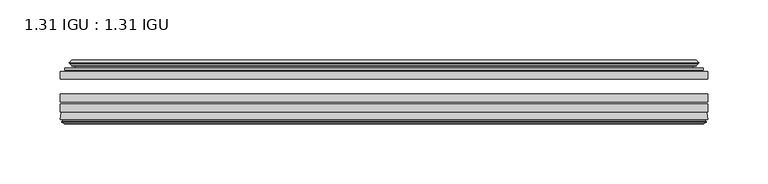
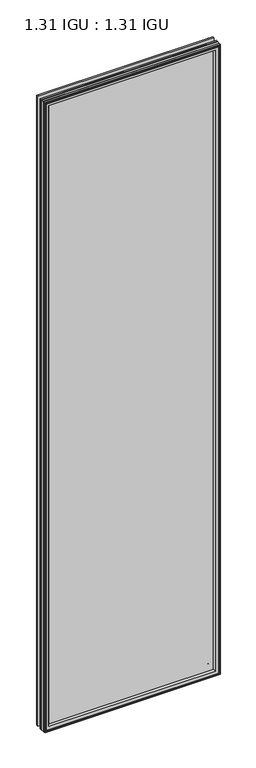
"""IFC4 building model written with IfcOpenShell, lengths in millimetres: plate geometry, 1.31 IGU : 1.31 IGU."""

import ifcopenshell
import ifcopenshell.guid

model = None  # the IFC model being written
_history = None  # IfcOwnerHistory: only IFC2X3 demands one
_inside = {}  # id of a spatial element -> (the spatial element, [elements in it])
_under = {}  # id of a project, library or spatial element -> (it, [spatial elements below it])
_declared = {}  # id of a project -> (the project, [libraries it declares])
_typed = {}  # id of a type object -> (the type object, [elements of that type])
_made_of = {}  # id of a material, layer set ... -> (it, [elements and type objects made of it])


def new_model(schema):
    """Start an empty IFC model of exactly this schema.

    Asked for "IFC4X3", IfcOpenShell would pick the latest addendum, in which some entities
    have other attributes; the version numbers below select the first issue.
    IFC2X3 requires an IfcOwnerHistory on every rooted entity: one is made here for all.
    """
    global model, _history
    if schema == "IFC4X3":
        model = ifcopenshell.file(schema_version=(4, 3, 0, 0))
    else:
        model = ifcopenshell.file(schema=schema)
    _inside.clear()
    _under.clear()
    _declared.clear()
    _typed.clear()
    _made_of.clear()
    _history = None
    if model.schema == "IFC2X3":
        org = make("IfcOrganization", Name="unknown")
        user = make(
            "IfcPersonAndOrganization",
            ThePerson=make("IfcPerson", FamilyName="unknown"),
            TheOrganization=org,
        )
        app = make(
            "IfcApplication",
            ApplicationDeveloper=org,
            Version="unknown",
            ApplicationFullName="unknown",
            ApplicationIdentifier="unknown",
        )
        _history = make(
            "IfcOwnerHistory",
            OwningUser=user,
            OwningApplication=app,
            ChangeAction="ADDED",
            CreationDate=0,
        )
    return model


def make(cls, **values):
    """One entity of the class cls with the attributes given. An attribute that is None is left unset."""
    return model.create_entity(
        cls, **{name: value for name, value in values.items() if value is not None}
    )


def rooted(cls, **values):
    """An entity with a GlobalId (a new one), such as an element, a storey or a relation."""
    return make(cls, GlobalId=ifcopenshell.guid.new(), OwnerHistory=_history, **values)


def si_unit(unit_type, name, prefix=None):
    """IfcSIUnit, for example si_unit("LENGTHUNIT", "METRE", prefix="MILLI")."""
    return make("IfcSIUnit", UnitType=unit_type, Prefix=prefix, Name=name)


def assignment(units):
    """IfcUnitAssignment: the units of a project."""
    return None if units is None else make("IfcUnitAssignment", Units=units)


def point(xyz):
    """IfcCartesianPoint."""
    return None if xyz is None else make("IfcCartesianPoint", Coordinates=xyz)


def direction(xyz):
    """IfcDirection."""
    return None if xyz is None else make("IfcDirection", DirectionRatios=xyz)


def frame(location, z_axis=None, x_axis=None):
    """IfcAxis2Placement3D, a coordinate frame: its origin and axes. An axis left out is left unset."""
    return make(
        "IfcAxis2Placement3D",
        Location=point(location),
        Axis=direction(z_axis),
        RefDirection=direction(x_axis),
    )


def origin():
    """The frame at (0, 0, 0) with its axes left unset."""
    return frame((0.0, 0.0, 0.0))


def place(relative_to, where):
    """IfcLocalPlacement: puts the frame where relative to a parent placement (None: the world)."""
    return make(
        "IfcLocalPlacement", PlacementRelTo=relative_to, RelativePlacement=where
    )


def context(
    kind, dimensions, precision=None, world=None, true_north=None, identifier=None
):
    """IfcGeometricRepresentationContext, for example the 3D "Model" context."""
    return make(
        "IfcGeometricRepresentationContext",
        ContextIdentifier=identifier,
        ContextType=kind,
        CoordinateSpaceDimension=dimensions,
        Precision=precision,
        WorldCoordinateSystem=world,
        TrueNorth=true_north,
    )


def project(units=None, contexts=None):
    """IfcProject with its units and contexts."""
    return rooted(
        "IfcProject",
        Name="project",
        RepresentationContexts=contexts,
        UnitsInContext=assignment(units),
    )


def spatial(cls, under=None, at=None, **own):
    """A site, building, storey or space (cls), placed at a placement, below another one or the project."""
    s = rooted(cls, ObjectPlacement=at, **own)
    if under is not None:
        _under.setdefault(under.id(), (under, []))[1].append(s)
    return s


def polyline(points):
    """IfcPolyline through the points."""
    return make("IfcPolyline", Points=[point(p) for p in points])


def ellipse_curve(where, semi_axis1, semi_axis2):
    """IfcEllipse in the frame where."""
    return make(
        "IfcEllipse", Position=where, SemiAxis1=semi_axis1, SemiAxis2=semi_axis2
    )


def outline(outer, holes=None, kind="AREA"):
    """IfcArbitraryClosedProfileDef: a profile drawn as a closed curve; with holes, ...WithVoids."""
    if holes is None:
        return make("IfcArbitraryClosedProfileDef", ProfileType=kind, OuterCurve=outer)
    return make(
        "IfcArbitraryProfileDefWithVoids",
        ProfileType=kind,
        OuterCurve=outer,
        InnerCurves=holes,
    )


def extrude(swept, where, along, depth):
    """IfcExtrudedAreaSolid: the profile swept, set in the frame where, extruded along a direction by depth."""
    return make(
        "IfcExtrudedAreaSolid",
        SweptArea=swept,
        Position=where,
        ExtrudedDirection=direction(along),
        Depth=depth,
    )


def shape(context_of_items, identifier, shape_type, items):
    """IfcShapeRepresentation: the items that make up one representation, for example the "Body"."""
    return make(
        "IfcShapeRepresentation",
        ContextOfItems=context_of_items,
        RepresentationIdentifier=identifier,
        RepresentationType=shape_type,
        Items=items,
    )


def source(mapping_origin, context_of_items, identifier, shape_type, items):
    """IfcRepresentationMap: a shape defined once, which mapped items show again and again."""
    return make(
        "IfcRepresentationMap",
        MappingOrigin=mapping_origin,
        MappedRepresentation=shape(context_of_items, identifier, shape_type, items),
    )


def transform(
    local_origin,
    x_axis=None,
    y_axis=None,
    z_axis=None,
    scale=None,
    scale2=None,
    scale3=None,
    uniform=True,
):
    """IfcCartesianTransformationOperator3D, or its non-uniform kind. x_axis, y_axis, z_axis: its Axis1, 2, 3."""
    if uniform:
        return make(
            "IfcCartesianTransformationOperator3D",
            Axis1=direction(x_axis),
            Axis2=direction(y_axis),
            LocalOrigin=point(local_origin),
            Scale=scale,
            Axis3=direction(z_axis),
        )
    return make(
        "IfcCartesianTransformationOperator3DnonUniform",
        Axis1=direction(x_axis),
        Axis2=direction(y_axis),
        LocalOrigin=point(local_origin),
        Scale=scale,
        Axis3=direction(z_axis),
        Scale2=scale2,
        Scale3=scale3,
    )


def mapped(mapping_source, mapping_target):
    """IfcMappedItem: shows the shape of a source again, moved by a transform."""
    return make(
        "IfcMappedItem", MappingSource=mapping_source, MappingTarget=mapping_target
    )


def made_of(thing, what):
    """Note that an element or type object is made of a material, layer set ...; save() writes the relation."""
    if what is not None:
        _made_of.setdefault(what.id(), (what, []))[1].append(thing)
    return thing


def element(
    cls,
    number,
    at=None,
    inside=None,
    cuts=None,
    type_object=None,
    material=None,
    context=None,
    identifier="Body",
    shape_type=None,
    held_by="IfcProductDefinitionShape",
    body=None,
    shapes=None,
    **own,
):
    """One element of the class cls, such as IfcWall. Its Tag is "e" and its number.

    at: its placement. inside: the storey or other place that contains it. cuts: it is an
    opening in that element (IfcRelVoidsElement). A single representation is given by context,
    identifier, shape_type and body (its items); several are given by shapes. held_by: the class
    of the entity that holds the representations. save() writes the other relations.
    """
    e = rooted(cls, Tag="e%d" % number, ObjectPlacement=at, **own)
    if body is not None:
        shapes = [shape(context, identifier, shape_type, body)]
    if shapes is not None:
        e.Representation = make(held_by, Representations=shapes)
    if inside is not None:
        _inside.setdefault(inside.id(), (inside, []))[1].append(e)
    if cuts is not None:
        rooted(
            "IfcRelVoidsElement", RelatingBuildingElement=cuts, RelatedOpeningElement=e
        )
    if type_object is not None:
        _typed.setdefault(type_object.id(), (type_object, []))[1].append(e)
    return made_of(e, material)


def aggregate(whole, parts):
    """IfcRelAggregates: a whole, such as a stair, and the parts it consists of."""
    return rooted("IfcRelAggregates", RelatingObject=whole, RelatedObjects=parts)


def save(model, path):
    """Write the relations noted so far, then the file.

    IfcRelAggregates (storeys below a building ...), IfcRelContainedInSpatialStructure (elements
    in a storey), IfcRelDefinesByType, IfcRelAssociatesMaterial and IfcRelDeclares: one each for
    every whole, place, type object, material and project.
    """
    for whole, parts in _under.values():
        aggregate(whole, parts)
    for where, things in _inside.values():
        rooted(
            "IfcRelContainedInSpatialStructure",
            RelatedElements=things,
            RelatingStructure=where,
        )
    for kind, things in _typed.values():
        rooted("IfcRelDefinesByType", RelatedObjects=things, RelatingType=kind)
    for what, things in _made_of.values():
        rooted("IfcRelAssociatesMaterial", RelatedObjects=things, RelatingMaterial=what)
    for by, libraries in _declared.values():
        rooted("IfcRelDeclares", RelatingContext=by, RelatedDefinitions=libraries)
    model.write(path)


def plane_surface(at):
    """IfcPlane: the flat surface through the origin of the frame at, square to its z axis."""
    return make("IfcPlane", Position=at)


def cylinder_surface(at, radius):
    """IfcCylindricalSurface: all points at the distance radius from the z axis of the frame at."""
    return make("IfcCylindricalSurface", Position=at, Radius=radius)


def revolved_surface(curve, axis_point, axis_direction):
    """IfcSurfaceOfRevolution: the curve turned about the line through axis_point along axis_direction."""
    return make(
        "IfcSurfaceOfRevolution",
        SweptCurve=make("IfcArbitraryOpenProfileDef", ProfileType="CURVE", Curve=curve),
        AxisPosition=make("IfcAxis1Placement", Location=point(axis_point), Axis=direction(axis_direction)),
    )


def advanced_brep(points, edges, surfaces, faces):
    """IfcAdvancedBrep: a solid bounded by faces that lie on surfaces and meet in shared edges.

    An edge is (start, end): straight between two places in points (the first is 0);
    or (start, end, curve); or (start, end, curve, False) where it runs against its curve.
    A face is (place in surfaces, loops), or (place, loops, False) where it looks against
    its surface's normal. A loop lists edges by number (the first is 1), with a minus sign
    where the edge is run from its end to its start. The first loop is the outer one.
    """
    corners = [point(p) for p in points]
    vertices = [make("IfcVertexPoint", VertexGeometry=c) for c in corners]
    made = []
    for start, end, *more in edges:
        made.append(
            make(
                "IfcEdgeCurve",
                EdgeStart=vertices[start],
                EdgeEnd=vertices[end],
                EdgeGeometry=more[0] if more else make("IfcPolyline", Points=[corners[start], corners[end]]),
                SameSense=more[1] if len(more) > 1 else True,
            )
        )
    hull = []
    for where, loops, *sense in faces:
        bounds = []
        for j, loop in enumerate(loops):
            ring = [make("IfcOrientedEdge", EdgeElement=made[abs(k) - 1], Orientation=k > 0) for k in loop]
            bounds.append(
                make(
                    "IfcFaceOuterBound" if j == 0 else "IfcFaceBound",
                    Bound=make("IfcEdgeLoop", EdgeList=ring),
                    Orientation=True,
                )
            )
        hull.append(make("IfcAdvancedFace", Bounds=bounds, FaceSurface=surfaces[where], SameSense=sense[0] if sense else True))
    return make("IfcAdvancedBrep", Outer=make("IfcClosedShell", CfsFaces=hull))


def plate_1_31_igu_1_31_igu_923db187(model_context):
    return source(origin(), model_context, "Body", "SolidModel", [
        extrude(outline(polyline([(268.2205532, -51.7723437), (268.2205532, -58.1223438), (-268.2875, -58.1223438), (-268.2875, -51.7723437), (268.2205532, -51.7723437)])), frame((0.0, 0.0, -14.2875), z_axis=(0.0, 0.0, 1.0), x_axis=(1.0, 0.0, 0.0)), (0.0, 0.0, 1.0), 2025.65),
        extrude(outline(polyline([(-268.2875, -85.4273438), (-268.2875, -79.0773437), (268.2205532, -79.0773437), (268.2205532, -85.4273438), (-268.2875, -85.4273438)])), frame((0.0, 0.0, -14.2875), z_axis=(0.0, 0.0, 1.0), x_axis=(1.0, 0.0, 0.0)), (0.0, 0.0, 1.0), 2025.65),
        extrude(outline(polyline([(-268.2875, -77.1723438), (-268.2875, -70.8223438), (268.2205532, -70.8223438), (268.2205532, -77.1723438), (-268.2875, -77.1723438)])), frame((0.0, 0.0, -14.2875), z_axis=(0.0, 0.0, 1.0), x_axis=(1.0, 0.0, 0.0)), (0.0, 0.0, 1.0), 2025.65),
        advanced_brep(
        [(-268.3002, -91.7773437, 2011.3752), (-267.6054162, -86.1187838, 2010.6804162), (-267.6054162, -86.1187838, -13.6054162), (-268.3002, -91.7773437, -14.3002), (-265.9126, -93.768408, 2008.9876), (-266.3698, -91.7773437, 2009.4448), (-266.3698, -91.7773437, -12.3698), (-265.9126, -93.768408, -11.9126), (-266.9139619, -93.5000939, 2009.9889619), (-266.9139619, -93.5000939, -12.9139619), (-267.1572, -94.407871, 2010.2322), (-267.1572, -94.407871, -13.1572), (-265.1252, -94.9523437, 2008.2002), (-265.1252, -94.9523437, -11.1252), (-263.0932, -94.407871, 2006.1682), (-263.0932, -94.407871, -9.0932), (-263.3364381, -93.5000939, 2006.4114381), (-263.3364381, -93.5000939, -9.3364381), (-264.3378, -93.768408, 2007.4128), (-264.3378, -93.768408, -10.3378), (-263.8806, -91.7773437, 2006.9556), (-263.8806, -91.7773437, -9.8806), (-249.8109786, -85.4273437, 1992.8859786), (-254.0, -91.7773437, 1997.075), (-254.0, -91.7773437, 0.0), (-249.8109786, -85.4273437, 4.1890214), (-266.8238854, -85.4273437, 2009.8988854), (-266.8238854, -85.4273437, -12.8238854), (267.6054162, -86.1187838, -13.6054162), (268.3002, -91.7773437, -14.3002), (266.3698, -91.7773437, -12.3698), (265.9126, -93.768408, -11.9126), (266.9139619, -93.5000939, -12.9139619), (267.1572, -94.407871, -13.1572), (265.1252, -94.9523437, -11.1252), (263.0932, -94.407871, -9.0932), (263.3364381, -93.5000939, -9.3364381), (264.3378, -93.768408, -10.3378), (263.8806, -91.7773437, -9.8806), (254.0, -91.7773437, 0.0), (249.8109786, -85.4273437, 4.1890214), (266.8238854, -85.4273437, -12.8238854), (267.6054162, -86.1187838, 2010.6804162), (268.3002, -91.7773437, 2011.3752), (266.3698, -91.7773437, 2009.4448), (265.9126, -93.768408, 2008.9876), (266.9139619, -93.5000939, 2009.9889619), (267.1572, -94.407871, 2010.2322), (265.1252, -94.9523437, 2008.2002), (263.0932, -94.407871, 2006.1682), (263.3364381, -93.5000939, 2006.4114381), (264.3378, -93.768408, 2007.4128), (263.8806, -91.7773437, 2006.9556), (254.0, -91.7773437, 1997.075), (249.8109786, -85.4273437, 1992.8859786), (266.8238854, -85.4273437, 2009.8988854)],
        [
            (0, 1),
            (1, 2),
            (2, 3),
            (3, 0),
            (4, 5),
            (5, 6),
            (6, 7),
            (7, 4),
            (8, 4),
            (7, 9),
            (9, 8),
            (10, 8),
            (9, 11),
            (11, 10),
            (12, 10),
            (11, 13),
            (13, 12),
            (14, 12),
            (13, 15),
            (15, 14),
            (16, 14),
            (15, 17),
            (17, 16),
            (18, 16),
            (17, 19),
            (19, 18),
            (20, 18),
            (19, 21),
            (21, 20),
            (22, 23, ellipse_curve(frame((-247.016106, -91.8278132, 1990.091106), z_axis=(0.7071067811865475, 0.0, 0.7071067811865475), x_axis=(0.7071067811865474, 0.0, -0.7071067811865476)), 9.8769754, 6.9840763)),
            (23, 24),
            (24, 25, ellipse_curve(frame((-247.016106, -91.8278132, 6.983894), z_axis=(0.7071067811865475, 0.0, -0.7071067811865475), x_axis=(-0.7071067811865474, 0.0, -0.7071067811865476)), 9.8769754, 6.9840763)),
            (25, 22),
            (1, 26, ellipse_curve(frame((-266.8238854, -86.2147437, 2009.8988854), z_axis=(-0.7071067811865475, 0.0, -0.7071067811865475), x_axis=(-0.7071067811865474, 0.0, 0.7071067811865476)), 1.1135518, 0.7874)),
            (26, 27),
            (27, 2, ellipse_curve(frame((-266.8238854, -86.2147437, -12.8238854), z_axis=(-0.7071067811865475, 0.0, 0.7071067811865475), x_axis=(0.7071067811865474, 0.0, 0.7071067811865476)), 1.1135518, 0.7874)),
            (2, 28),
            (28, 29),
            (29, 3),
            (6, 30),
            (30, 31),
            (31, 7),
            (31, 32),
            (32, 9),
            (32, 33),
            (33, 11),
            (33, 34),
            (34, 13),
            (34, 35),
            (35, 15),
            (35, 36),
            (36, 17),
            (36, 37),
            (37, 19),
            (37, 38),
            (38, 21),
            (24, 39),
            (39, 40, ellipse_curve(frame((247.016106, -91.8278132, 6.983894), z_axis=(0.7071067811865475, 0.0, 0.7071067811865475), x_axis=(0.7071067811865476, 0.0, -0.7071067811865474)), 9.8769754, 6.9840763)),
            (40, 25),
            (27, 41),
            (41, 28, ellipse_curve(frame((266.8238854, -86.2147437, -12.8238854), z_axis=(-0.7071067811865475, 0.0, -0.7071067811865475), x_axis=(-0.7071067811865476, 0.0, 0.7071067811865474)), 1.1135518, 0.7874)),
            (28, 42),
            (42, 43),
            (43, 29),
            (30, 44),
            (44, 45),
            (45, 31),
            (45, 46),
            (46, 32),
            (46, 47),
            (47, 33),
            (47, 48),
            (48, 34),
            (48, 49),
            (49, 35),
            (49, 50),
            (50, 36),
            (50, 51),
            (51, 37),
            (51, 52),
            (52, 38),
            (39, 53),
            (53, 54, ellipse_curve(frame((247.016106, -91.8278132, 1990.091106), z_axis=(-0.7071067811865475, 0.0, 0.7071067811865475), x_axis=(0.7071067811865474, 0.0, 0.7071067811865476)), 9.8769754, 6.9840763)),
            (54, 40),
            (41, 55),
            (55, 42, ellipse_curve(frame((266.8238854, -86.2147437, 2009.8988854), z_axis=(0.7071067811865475, 0.0, -0.7071067811865475), x_axis=(-0.7071067811865474, 0.0, -0.7071067811865476)), 1.1135518, 0.7874)),
            (42, 1),
            (0, 43),
            (5, 44),
            (4, 45),
            (8, 46),
            (10, 47),
            (12, 48),
            (14, 49),
            (16, 50),
            (18, 51),
            (20, 52),
            (23, 53),
            (22, 54),
            (26, 55),
        ],
        [
            plane_surface(frame((-267.6054162, -86.1187838, 2010.6804162), z_axis=(-0.9925461516413241, 0.12186934340513107, 0.0), x_axis=(0.0, 0.0, -1.0))),
            plane_surface(frame((-266.3698, -91.7773437, 2009.4448), z_axis=(-0.9746347637895992, -0.2238014236165451, 0.0), x_axis=(0.0, 0.0, -1.0))),
            plane_surface(frame((-265.9126, -93.768408, 2008.9876), z_axis=(0.2588190451026679, 0.9659258262890289, 0.0), x_axis=(0.0, 0.0, -1.0))),
            plane_surface(frame((-266.9139619, -93.5000939, 2009.9889619), z_axis=(-0.9659258262890449, 0.25881904510260834, 0.0), x_axis=(0.0, 0.0, -1.0))),
            plane_surface(frame((-267.1572, -94.407871, 2010.2322), z_axis=(-0.2588190451025046, -0.9659258262890726, 0.0), x_axis=(0.0, 0.0, -1.0))),
            plane_surface(frame((-265.1252, -94.9523437, 2008.2002), z_axis=(0.25881904510247894, -0.9659258262890795, 0.0), x_axis=(0.0, 0.0, -1.0))),
            plane_surface(frame((-263.0932, -94.407871, 2006.1682), z_axis=(0.9659258262890272, 0.258819045102674, 0.0), x_axis=(0.0, 0.0, -1.0))),
            plane_surface(frame((-263.3364381, -93.5000939, 2006.4114381), z_axis=(-0.2588190451023417, 0.9659258262891163, 0.0), x_axis=(0.0, 0.0, -1.0))),
            plane_surface(frame((-264.3378, -93.768408, 2007.4128), z_axis=(0.9746347637895936, -0.2238014236165695, 0.0), x_axis=(0.0, 0.0, -1.0))),
            revolved_surface(polyline([(-254.0001823, -91.8278132, -0.00018228295266453642), (-254.0001823, -91.8278132, 1997.0751822829527)]), (-247.016106, -91.8278132, 2028.825), (0.0, 0.0, -1.0)),
            cylinder_surface(frame((-266.8238854, -86.2147437, 2028.825), z_axis=(0.0, 0.0, 1.0), x_axis=(-1.0, 0.0, 0.0)), 0.7874),
            plane_surface(frame((-267.6054162, -86.1187838, -13.6054162), z_axis=(0.0, 0.12186934340512784, -0.9925461516413245), x_axis=(1.0, 0.0, 0.0))),
            plane_surface(frame((-266.3698, -91.7773437, -12.3698), z_axis=(0.0, -0.22380142361654826, -0.9746347637895985), x_axis=(1.0, 0.0, 0.0))),
            plane_surface(frame((-265.9126, -93.768408, -11.9126), z_axis=(0.0, 0.9659258262890298, 0.25881904510266474), x_axis=(1.0, 0.0, 0.0))),
            plane_surface(frame((-266.9139619, -93.5000939, -12.9139619), z_axis=(0.0, 0.25881904510260517, -0.9659258262890458), x_axis=(1.0, 0.0, 0.0))),
            plane_surface(frame((-267.1572, -94.407871, -13.1572), z_axis=(0.0, -0.9659258262890735, -0.2588190451025014), x_axis=(1.0, 0.0, 0.0))),
            plane_surface(frame((-265.1252, -94.9523437, -11.1252), z_axis=(0.0, -0.9659258262890786, 0.2588190451024821), x_axis=(1.0, 0.0, 0.0))),
            plane_surface(frame((-263.0932, -94.407871, -9.0932), z_axis=(0.0, 0.2588190451026772, 0.9659258262890265), x_axis=(1.0, 0.0, 0.0))),
            plane_surface(frame((-263.3364381, -93.5000939, -9.3364381), z_axis=(0.0, 0.9659258262891154, -0.2588190451023449), x_axis=(1.0, 0.0, 0.0))),
            plane_surface(frame((-264.3378, -93.768408, -10.3378), z_axis=(0.0, -0.22380142361656633, 0.9746347637895943), x_axis=(1.0, 0.0, 0.0))),
            revolved_surface(polyline([(254.00018228295278, -91.8278132, -0.00018229999999963553), (-254.00018228295272, -91.8278132, -0.00018229999999963553)]), (-285.75, -91.8278132, 6.983894), (1.0, 0.0, 0.0)),
            cylinder_surface(frame((-285.75, -86.2147437, -12.8238854), z_axis=(-1.0, 0.0, 0.0), x_axis=(0.0, 0.0, -1.0)), 0.7874),
            plane_surface(frame((267.6054162, -86.1187838, -13.6054162), z_axis=(0.992546151641325, 0.1218693434051246, 0.0), x_axis=(0.0, 0.0, 1.0))),
            plane_surface(frame((266.3698, -91.7773437, -12.3698), z_axis=(0.9746347637895977, -0.22380142361655142, 0.0), x_axis=(0.0, 0.0, 1.0))),
            plane_surface(frame((265.9126, -93.768408, -11.9126), z_axis=(-0.25881904510266157, 0.9659258262890307, 0.0), x_axis=(0.0, 0.0, 1.0))),
            plane_surface(frame((266.9139619, -93.5000939, -12.9139619), z_axis=(0.9659258262890467, 0.258819045102602, 0.0), x_axis=(0.0, 0.0, 1.0))),
            plane_surface(frame((267.1572, -94.407871, -13.1572), z_axis=(0.25881904510249826, -0.9659258262890744, 0.0), x_axis=(0.0, 0.0, 1.0))),
            plane_surface(frame((265.1252, -94.9523437, -11.1252), z_axis=(-0.2588190451024853, -0.9659258262890779, 0.0), x_axis=(0.0, 0.0, 1.0))),
            plane_surface(frame((263.0932, -94.407871, -9.0932), z_axis=(-0.9659258262890256, 0.2588190451026804, 0.0), x_axis=(0.0, 0.0, 1.0))),
            plane_surface(frame((263.3364381, -93.5000939, -9.3364381), z_axis=(0.2588190451023481, 0.9659258262891146, 0.0), x_axis=(0.0, 0.0, 1.0))),
            plane_surface(frame((264.3378, -93.768408, -10.3378), z_axis=(-0.9746347637895951, -0.22380142361656316, 0.0), x_axis=(0.0, 0.0, 1.0))),
            revolved_surface(polyline([(254.0001823, -91.8278132, 1997.0751822829527), (254.0001823, -91.8278132, -0.0001822829527107217)]), (247.016106, -91.8278132, -31.75), (0.0, 0.0, 1.0)),
            cylinder_surface(frame((266.8238854, -86.2147437, -31.75), z_axis=(0.0, 0.0, -1.0), x_axis=(1.0, 0.0, 0.0)), 0.7874),
            plane_surface(frame((267.6054162, -86.1187838, 2010.6804162), z_axis=(0.0, 0.12186934340512784, 0.9925461516413245), x_axis=(-1.0, 0.0, 0.0))),
            plane_surface(frame((268.3002, -91.7773437, 2011.3752), z_axis=(0.0, -1.0, 0.0), x_axis=(-1.0, 0.0, 0.0))),
            plane_surface(frame((266.3698, -91.7773437, 2009.4448), z_axis=(0.0, -0.22380142361654826, 0.9746347637895985), x_axis=(-1.0, 0.0, 0.0))),
            plane_surface(frame((265.9126, -93.768408, 2008.9876), z_axis=(0.0, 0.9659258262890298, -0.25881904510266474), x_axis=(-1.0, 0.0, 0.0))),
            plane_surface(frame((266.9139619, -93.5000939, 2009.9889619), z_axis=(0.0, 0.25881904510260517, 0.9659258262890458), x_axis=(-1.0, 0.0, 0.0))),
            plane_surface(frame((267.1572, -94.407871, 2010.2322), z_axis=(0.0, -0.9659258262890735, 0.2588190451025014), x_axis=(-1.0, 0.0, 0.0))),
            plane_surface(frame((265.1252, -94.9523437, 2008.2002), z_axis=(0.0, -0.9659258262890787, -0.25881904510248216), x_axis=(-1.0, 0.0, 0.0))),
            plane_surface(frame((263.0932, -94.407871, 2006.1682), z_axis=(0.0, 0.2588190451026772, -0.9659258262890265), x_axis=(-1.0, 0.0, 0.0))),
            plane_surface(frame((263.3364381, -93.5000939, 2006.4114381), z_axis=(0.0, 0.9659258262891155, 0.25881904510234494), x_axis=(-1.0, 0.0, 0.0))),
            plane_surface(frame((264.3378, -93.768408, 2007.4128), z_axis=(0.0, -0.22380142361656633, -0.9746347637895943), x_axis=(-1.0, 0.0, 0.0))),
            plane_surface(frame((263.8806, -91.7773437, 2006.9556), z_axis=(0.0, -1.0, 0.0), x_axis=(-1.0, 0.0, 0.0))),
            revolved_surface(polyline([(-254.00018228295278, -91.8278132, 1997.0751823), (254.00018228295272, -91.8278132, 1997.0751823)]), (285.75, -91.8278132, 1990.091106), (-1.0, 0.0, 0.0)),
            plane_surface(frame((249.8109786, -85.4273437, 1992.8859786), z_axis=(0.0, 1.0, 0.0), x_axis=(-1.0, 0.0, 0.0))),
            cylinder_surface(frame((285.75, -86.2147437, 2009.8988854), z_axis=(1.0, 0.0, 0.0), x_axis=(0.0, 0.0, 1.0)), 0.7874),
        ],
        [
            (0, [[1, 2, 3, 4]]),
            (1, [[5, 6, 7, 8]]),
            (2, [[9, -8, 10, 11]]),
            (3, [[12, -11, 13, 14]]),
            (4, [[15, -14, 16, 17]]),
            (5, [[18, -17, 19, 20]]),
            (6, [[21, -20, 22, 23]]),
            (7, [[24, -23, 25, 26]]),
            (8, [[27, -26, 28, 29]]),
            (9, [[30, 31, 32, 33]]),
            (10, [[34, 35, 36, -2]]),
            (11, [[-3, 37, 38, 39]]),
            (12, [[-7, 40, 41, 42]]),
            (13, [[-10, -42, 43, 44]]),
            (14, [[-13, -44, 45, 46]]),
            (15, [[-16, -46, 47, 48]]),
            (16, [[-19, -48, 49, 50]]),
            (17, [[-22, -50, 51, 52]]),
            (18, [[-25, -52, 53, 54]]),
            (19, [[-28, -54, 55, 56]]),
            (20, [[-32, 57, 58, 59]]),
            (21, [[-36, 60, 61, -37]]),
            (22, [[-38, 62, 63, 64]]),
            (23, [[-41, 65, 66, 67]]),
            (24, [[-43, -67, 68, 69]]),
            (25, [[-45, -69, 70, 71]]),
            (26, [[-47, -71, 72, 73]]),
            (27, [[-49, -73, 74, 75]]),
            (28, [[-51, -75, 76, 77]]),
            (29, [[-53, -77, 78, 79]]),
            (30, [[-55, -79, 80, 81]]),
            (31, [[-58, 82, 83, 84]]),
            (32, [[-61, 85, 86, -62]]),
            (33, [[-63, 87, -1, 88]]),
            (34, [[-39, -64, -88, -4], [89, -65, -40, -6]]),
            (35, [[-66, -89, -5, 90]]),
            (36, [[-68, -90, -9, 91]]),
            (37, [[-70, -91, -12, 92]]),
            (38, [[-72, -92, -15, 93]]),
            (39, [[-74, -93, -18, 94]]),
            (40, [[-76, -94, -21, 95]]),
            (41, [[-78, -95, -24, 96]]),
            (42, [[-80, -96, -27, 97]]),
            (43, [[-56, -81, -97, -29], [98, -82, -57, -31]]),
            (44, [[-83, -98, -30, 99]]),
            (45, [[100, -85, -60, -35], [-59, -84, -99, -33]]),
            (46, [[-86, -100, -34, -87]]),
        ],
    ),
        advanced_brep(
        [(-249.9522902, -50.6812421, 1993.0272902), (-250.3941004, -51.7723437, 1993.4691004), (-250.3941004, -51.7723437, 3.6058996), (-249.9522902, -50.6812421, 4.0477098), (-254.0, -42.9585437, 1997.075), (-254.0, -42.9585437, 0.0), (-259.1859109, -44.1396428, 2002.2609109), (-259.1859109, -44.1396428, -5.1859109), (-258.8563356, -43.3125262, 2001.9313356), (-258.8563356, -43.3125262, -4.8563356), (-258.8563356, -42.4982749, 2001.9313356), (-258.8563356, -42.4982749, -4.8563356), (-260.6726111, -44.4569108, 2003.7476111), (-260.6726111, -44.4569108, -6.6726111), (-260.6726111, -45.1700367, 2003.7476111), (-260.6726111, -45.1700367, -6.6726111), (-258.8563356, -47.1188911, 2001.9313356), (-258.8563356, -47.1188911, -4.8563356), (-258.8563356, -46.3144213, 2001.9313356), (-258.8563356, -46.3144213, -4.8563356), (-259.1782501, -45.5065305, 2002.2532501), (-259.1782501, -45.5065305, -5.1782501), (-256.6544379, -45.3481387, 1999.7294379), (-256.6544379, -45.3481387, -2.6544379), (-255.6286217, -46.0358481, 1998.7036217), (-255.6286217, -46.0358481, -1.6286217), (-255.7470288, -47.4303169, 1998.8220288), (-255.7470288, -47.4303169, -1.7470288), (-256.3487748, -48.9275437, 1999.4237748), (-256.3487748, -48.9275437, -2.3487748), (-264.2745553, -50.8359667, 2007.3495553), (-263.7889245, -48.9275437, 2006.8639245), (-263.7889245, -48.9275437, -9.7889245), (-264.2745553, -50.8359667, -10.2745553), (-262.5538155, -51.7723437, 2005.6288155), (-262.5538155, -51.7723437, -8.5538155), (250.3941004, -51.7723437, 3.6058996), (249.9522902, -50.6812421, 4.0477098), (254.0, -42.9585437, 0.0), (259.1859109, -44.1396428, -5.1859109), (258.8563356, -43.3125262, -4.8563356), (258.8563356, -42.4982749, -4.8563356), (260.6726111, -44.4569108, -6.6726111), (260.6726111, -45.1700367, -6.6726111), (258.8563356, -47.1188911, -4.8563356), (258.8563356, -46.3144213, -4.8563356), (259.1782501, -45.5065305, -5.1782501), (256.6544379, -45.3481387, -2.6544379), (255.6286217, -46.0358481, -1.6286217), (255.7470288, -47.4303169, -1.7470288), (256.3487748, -48.9275437, -2.3487748), (263.7889245, -48.9275437, -9.7889245), (264.2745553, -50.8359667, -10.2745553), (262.5538155, -51.7723437, -8.5538155), (250.3941004, -51.7723437, 1993.4691004), (249.9522902, -50.6812421, 1993.0272902), (254.0, -42.9585437, 1997.075), (259.1859109, -44.1396428, 2002.2609109), (258.8563356, -43.3125262, 2001.9313356), (258.8563356, -42.4982749, 2001.9313356), (260.6726111, -44.4569108, 2003.7476111), (260.6726111, -45.1700367, 2003.7476111), (258.8563356, -47.1188911, 2001.9313356), (258.8563356, -46.3144213, 2001.9313356), (259.1782501, -45.5065305, 2002.2532501), (256.6544379, -45.3481387, 1999.7294379), (255.6286217, -46.0358481, 1998.7036217), (255.7470288, -47.4303169, 1998.8220288), (256.3487748, -48.9275437, 1999.4237748), (263.7889245, -48.9275437, 2006.8639245), (264.2745553, -50.8359667, 2007.3495553), (262.5538155, -51.7723437, 2005.6288155)],
        [
            (0, 1, ellipse_curve(frame((-250.3941004, -51.1373437, 1993.4691004), z_axis=(-0.7071067811865475, 0.0, -0.7071067811865475), x_axis=(-0.7071067811865474, 0.0, 0.7071067811865476)), 0.8980256, 0.635)),
            (1, 2),
            (2, 3, ellipse_curve(frame((-250.3941004, -51.1373437, 3.6058996), z_axis=(-0.7071067811865475, 0.0, 0.7071067811865475), x_axis=(0.7071067811865474, 0.0, 0.7071067811865476)), 0.8980256, 0.635)),
            (3, 0),
            (4, 0, ellipse_curve(frame((-240.2672054, -40.6828682, 1983.3422054), z_axis=(0.7071067811865475, 0.0, 0.7071067811865475), x_axis=(0.7071067811865474, 0.0, -0.7071067811865476)), 19.6859517, 13.9200699)),
            (3, 5, ellipse_curve(frame((-240.2672054, -40.6828682, 13.7327946), z_axis=(0.7071067811865475, 0.0, -0.7071067811865475), x_axis=(-0.7071067811865474, 0.0, -0.7071067811865476)), 19.6859517, 13.9200699)),
            (5, 4),
            (6, 4),
            (5, 7),
            (7, 6),
            (8, 6),
            (7, 9),
            (9, 8),
            (10, 8),
            (9, 11),
            (11, 10),
            (12, 10),
            (11, 13),
            (13, 12),
            (14, 12, ellipse_curve(frame((-260.3107729, -44.8134737, 2003.3857729), z_axis=(-0.7071067811865475, 0.0, -0.7071067811865475), x_axis=(-0.7071067811865474, 0.0, 0.7071067811865476)), 0.7184205, 0.508)),
            (13, 15, ellipse_curve(frame((-260.3107729, -44.8134737, -6.3107729), z_axis=(-0.7071067811865475, 0.0, 0.7071067811865475), x_axis=(0.7071067811865474, 0.0, 0.7071067811865476)), 0.7184205, 0.508)),
            (15, 14),
            (16, 14),
            (15, 17),
            (17, 16),
            (18, 16),
            (17, 19),
            (19, 18),
            (20, 18),
            (19, 21),
            (21, 20),
            (22, 20),
            (21, 23),
            (23, 22),
            (24, 22, ellipse_curve(frame((-256.5908, -46.3621437, 1999.6658), z_axis=(0.7071067811865475, 0.0, 0.7071067811865475), x_axis=(0.7071067811865474, 0.0, -0.7071067811865476)), 1.436841, 1.016)),
            (23, 25, ellipse_curve(frame((-256.5908, -46.3621437, -2.5908), z_axis=(0.7071067811865475, 0.0, -0.7071067811865475), x_axis=(-0.7071067811865474, 0.0, -0.7071067811865476)), 1.436841, 1.016)),
            (25, 24),
            (26, 24, ellipse_curve(frame((-257.9624, -46.5399437, 2001.0374), z_axis=(0.7071067811865475, 0.0, 0.7071067811865475), x_axis=(0.7071067811865474, 0.0, -0.7071067811865476)), 3.3765763, 2.3876)),
            (25, 27, ellipse_curve(frame((-257.9624, -46.5399437, -3.9624), z_axis=(0.7071067811865475, 0.0, -0.7071067811865475), x_axis=(-0.7071067811865474, 0.0, -0.7071067811865476)), 3.3765763, 2.3876)),
            (27, 26),
            (28, 26),
            (27, 29),
            (29, 28),
            (30, 31, ellipse_curve(frame((-263.7889245, -49.9435437, 2006.8639245), z_axis=(-0.7071067811865475, 0.0, -0.7071067811865475), x_axis=(-0.7071067811865474, 0.0, 0.7071067811865476)), 1.436841, 1.016)),
            (31, 32),
            (32, 33, ellipse_curve(frame((-263.7889245, -49.9435437, -9.7889245), z_axis=(-0.7071067811865475, 0.0, 0.7071067811865475), x_axis=(0.7071067811865474, 0.0, 0.7071067811865476)), 1.436841, 1.016)),
            (33, 30),
            (34, 30),
            (33, 35),
            (35, 34),
            (2, 36),
            (36, 37, ellipse_curve(frame((250.3941004, -51.1373437, 3.6058996), z_axis=(-0.7071067811865475, 0.0, -0.7071067811865475), x_axis=(-0.7071067811865476, 0.0, 0.7071067811865474)), 0.8980256, 0.635)),
            (37, 3),
            (37, 38, ellipse_curve(frame((240.2672054, -40.6828682, 13.7327946), z_axis=(0.7071067811865475, 0.0, 0.7071067811865475), x_axis=(0.7071067811865476, 0.0, -0.7071067811865474)), 19.6859517, 13.9200699)),
            (38, 5),
            (38, 39),
            (39, 7),
            (39, 40),
            (40, 9),
            (40, 41),
            (41, 11),
            (41, 42),
            (42, 13),
            (42, 43, ellipse_curve(frame((260.3107729, -44.8134737, -6.3107729), z_axis=(-0.7071067811865475, 0.0, -0.7071067811865475), x_axis=(-0.7071067811865476, 0.0, 0.7071067811865474)), 0.7184205, 0.508)),
            (43, 15),
            (43, 44),
            (44, 17),
            (44, 45),
            (45, 19),
            (45, 46),
            (46, 21),
            (46, 47),
            (47, 23),
            (47, 48, ellipse_curve(frame((256.5908, -46.3621437, -2.5908), z_axis=(0.7071067811865475, 0.0, 0.7071067811865475), x_axis=(0.7071067811865476, 0.0, -0.7071067811865474)), 1.436841, 1.016)),
            (48, 25),
            (48, 49, ellipse_curve(frame((257.9624, -46.5399437, -3.9624), z_axis=(0.7071067811865475, 0.0, 0.7071067811865475), x_axis=(0.7071067811865476, 0.0, -0.7071067811865474)), 3.3765763, 2.3876)),
            (49, 27),
            (49, 50),
            (50, 29),
            (32, 51),
            (51, 52, ellipse_curve(frame((263.7889245, -49.9435437, -9.7889245), z_axis=(-0.7071067811865475, 0.0, -0.7071067811865475), x_axis=(-0.7071067811865476, 0.0, 0.7071067811865474)), 1.436841, 1.016)),
            (52, 33),
            (52, 53),
            (53, 35),
            (36, 54),
            (54, 55, ellipse_curve(frame((250.3941004, -51.1373437, 1993.4691004), z_axis=(0.7071067811865475, 0.0, -0.7071067811865475), x_axis=(-0.7071067811865474, 0.0, -0.7071067811865476)), 0.8980256, 0.635)),
            (55, 37),
            (55, 56, ellipse_curve(frame((240.2672054, -40.6828682, 1983.3422054), z_axis=(-0.7071067811865475, 0.0, 0.7071067811865475), x_axis=(0.7071067811865474, 0.0, 0.7071067811865476)), 19.6859517, 13.9200699)),
            (56, 38),
            (56, 57),
            (57, 39),
            (57, 58),
            (58, 40),
            (58, 59),
            (59, 41),
            (59, 60),
            (60, 42),
            (60, 61, ellipse_curve(frame((260.3107729, -44.8134737, 2003.3857729), z_axis=(0.7071067811865475, 0.0, -0.7071067811865475), x_axis=(-0.7071067811865474, 0.0, -0.7071067811865476)), 0.7184205, 0.508)),
            (61, 43),
            (61, 62),
            (62, 44),
            (62, 63),
            (63, 45),
            (63, 64),
            (64, 46),
            (64, 65),
            (65, 47),
            (65, 66, ellipse_curve(frame((256.5908, -46.3621437, 1999.6658), z_axis=(-0.7071067811865475, 0.0, 0.7071067811865475), x_axis=(0.7071067811865474, 0.0, 0.7071067811865476)), 1.436841, 1.016)),
            (66, 48),
            (66, 67, ellipse_curve(frame((257.9624, -46.5399437, 2001.0374), z_axis=(-0.7071067811865475, 0.0, 0.7071067811865475), x_axis=(0.7071067811865474, 0.0, 0.7071067811865476)), 3.3765763, 2.3876)),
            (67, 49),
            (67, 68),
            (68, 50),
            (51, 69),
            (69, 70, ellipse_curve(frame((263.7889245, -49.9435437, 2006.8639245), z_axis=(0.7071067811865475, 0.0, -0.7071067811865475), x_axis=(-0.7071067811865474, 0.0, -0.7071067811865476)), 1.436841, 1.016)),
            (70, 52),
            (70, 71),
            (71, 53),
            (54, 1),
            (0, 55),
            (4, 56),
            (6, 57),
            (8, 58),
            (10, 59),
            (12, 60),
            (14, 61),
            (16, 62),
            (18, 63),
            (20, 64),
            (22, 65),
            (24, 66),
            (26, 67),
            (28, 68),
            (31, 69),
            (30, 70),
            (34, 71),
        ],
        [
            cylinder_surface(frame((-250.3941004, -51.1373437, 2028.825), z_axis=(0.0, 0.0, 1.0), x_axis=(-1.0, 0.0, 0.0)), 0.635),
            revolved_surface(polyline([(-254.18727529999998, -40.6828682, -0.18727534118079348), (-254.18727529999998, -40.6828682, 1997.2622753411808)]), (-240.2672054, -40.6828682, 2028.825), (0.0, 0.0, -1.0)),
            plane_surface(frame((-254.0, -42.9585437, 1997.075), z_axis=(-0.22206498442778802, 0.9750318675259215, 0.0), x_axis=(0.0, 0.0, -1.0))),
            plane_surface(frame((-259.1859109, -44.1396428, 2002.2609109), z_axis=(0.9289682685629942, -0.3701593656833133, 0.0), x_axis=(0.0, 0.0, -1.0))),
            plane_surface(frame((-258.8563356, -43.3125262, 2001.9313356), z_axis=(1.0, 0.0, 0.0), x_axis=(0.0, 0.0, -1.0))),
            plane_surface(frame((-258.8563356, -42.4982749, 2001.9313356), z_axis=(-0.7332521292723948, 0.6799568478348456, 0.0), x_axis=(0.0, 0.0, -1.0))),
            cylinder_surface(frame((-260.3107729, -44.8134737, 2028.825), z_axis=(0.0, 0.0, 1.0), x_axis=(-1.0, 0.0, 0.0)), 0.508),
            plane_surface(frame((-260.6726111, -45.1700367, 2003.7476111), z_axis=(-0.7315522693036389, -0.6817853601220082, 0.0), x_axis=(0.0, 0.0, -1.0))),
            plane_surface(frame((-258.8563356, -47.1188911, 2001.9313356), z_axis=(1.0, 0.0, 0.0), x_axis=(0.0, 0.0, -1.0))),
            plane_surface(frame((-258.8563356, -46.3144213, 2001.9313356), z_axis=(0.9289682685631103, 0.37015936568302166, 0.0), x_axis=(0.0, 0.0, -1.0))),
            plane_surface(frame((-259.1782501, -45.5065305, 2002.2532501), z_axis=(0.06263570119321643, -0.9980364567169048, 0.0), x_axis=(0.0, 0.0, -1.0))),
            revolved_surface(polyline([(-257.6068, -46.3621437, -3.6068000145867245), (-257.6068, -46.3621437, 2000.6818000145868)]), (-256.5908, -46.3621437, 2028.825), (0.0, 0.0, -1.0)),
            revolved_surface(polyline([(-260.35, -46.5399437, -6.3499999989237494), (-260.35, -46.5399437, 2003.4249999989238)]), (-257.9624, -46.5399437, 2028.825), (0.0, 0.0, -1.0)),
            plane_surface(frame((-255.7470288, -47.4303169, 1998.8220288), z_axis=(-0.927865292542892, 0.3729155385530262, 0.0), x_axis=(0.0, 0.0, -1.0))),
            cylinder_surface(frame((-263.7889245, -49.9435437, 2028.825), z_axis=(0.0, 0.0, 1.0), x_axis=(-1.0, 0.0, 0.0)), 1.016),
            plane_surface(frame((-264.2745553, -50.8359667, 2007.3495553), z_axis=(-0.477983117370979, -0.8783690223979446, 0.0), x_axis=(0.0, 0.0, -1.0))),
            cylinder_surface(frame((-285.75, -51.1373437, 3.6058996), z_axis=(-1.0, 0.0, 0.0), x_axis=(0.0, 0.0, -1.0)), 0.635),
            revolved_surface(polyline([(254.1872753411808, -40.6828682, -0.1872752999999996), (-254.18727534118085, -40.6828682, -0.1872752999999996)]), (-285.75, -40.6828682, 13.7327946), (1.0, 0.0, 0.0)),
            plane_surface(frame((-254.0, -42.9585437, 0.0), z_axis=(0.0, 0.9750318675259209, -0.2220649844277912), x_axis=(1.0, 0.0, 0.0))),
            plane_surface(frame((-259.1859109, -44.1396428, -5.1859109), z_axis=(0.0, -0.3701593656833103, 0.9289682685629954), x_axis=(1.0, 0.0, 0.0))),
            plane_surface(frame((-258.8563356, -43.3125262, -4.8563356), z_axis=(0.0, 0.0, 1.0), x_axis=(1.0, 0.0, 0.0))),
            plane_surface(frame((-258.8563356, -42.4982749, -4.8563356), z_axis=(0.0, 0.6799568478348431, -0.733252129272397), x_axis=(1.0, 0.0, 0.0))),
            cylinder_surface(frame((-285.75, -44.8134737, -6.3107729), z_axis=(-1.0, 0.0, 0.0), x_axis=(0.0, 0.0, -1.0)), 0.508),
            plane_surface(frame((-260.6726111, -45.1700367, -6.6726111), z_axis=(0.0, -0.6817853601220105, -0.7315522693036367), x_axis=(1.0, 0.0, 0.0))),
            plane_surface(frame((-258.8563356, -47.1188911, -4.8563356), z_axis=(0.0, 0.0, 1.0), x_axis=(1.0, 0.0, 0.0))),
            plane_surface(frame((-258.8563356, -46.3144213, -4.8563356), z_axis=(0.0, 0.37015936568302465, 0.9289682685631091), x_axis=(1.0, 0.0, 0.0))),
            plane_surface(frame((-259.1782501, -45.5065305, -5.1782501), z_axis=(0.0, -0.9980364567169046, 0.06263570119321968), x_axis=(1.0, 0.0, 0.0))),
            revolved_surface(polyline([(257.60680001458684, -46.3621437, -3.6068000000000002), (-257.60680001458684, -46.3621437, -3.6068000000000002)]), (-285.75, -46.3621437, -2.5908), (1.0, 0.0, 0.0)),
            revolved_surface(polyline([(260.34999999892375, -46.5399437, -6.35), (-260.3499999989238, -46.5399437, -6.35)]), (-285.75, -46.5399437, -3.9624), (1.0, 0.0, 0.0)),
            plane_surface(frame((-255.7470288, -47.4303169, -1.7470288), z_axis=(0.0, 0.37291553855302323, -0.9278652925428932), x_axis=(1.0, 0.0, 0.0))),
            cylinder_surface(frame((-285.75, -49.9435437, -9.7889245), z_axis=(-1.0, 0.0, 0.0), x_axis=(0.0, 0.0, -1.0)), 1.016),
            plane_surface(frame((-264.2745553, -50.8359667, -10.2745553), z_axis=(0.0, -0.8783690223979462, -0.47798311737097615), x_axis=(1.0, 0.0, 0.0))),
            cylinder_surface(frame((250.3941004, -51.1373437, -31.75), z_axis=(0.0, 0.0, -1.0), x_axis=(1.0, 0.0, 0.0)), 0.635),
            revolved_surface(polyline([(254.18727529999998, -40.6828682, 1997.2622753411808), (254.18727529999998, -40.6828682, -0.1872753411808432)]), (240.2672054, -40.6828682, -31.75), (0.0, 0.0, 1.0)),
            plane_surface(frame((254.0, -42.9585437, 0.0), z_axis=(0.2220649844277944, 0.9750318675259202, 0.0), x_axis=(0.0, 0.0, 1.0))),
            plane_surface(frame((259.1859109, -44.1396428, -5.1859109), z_axis=(-0.9289682685629966, -0.3701593656833073, 0.0), x_axis=(0.0, 0.0, 1.0))),
            plane_surface(frame((258.8563356, -43.3125262, -4.8563356), z_axis=(-1.0, 0.0, 0.0), x_axis=(0.0, 0.0, 1.0))),
            plane_surface(frame((258.8563356, -42.4982749, -4.8563356), z_axis=(0.7332521292723992, 0.6799568478348407, 0.0), x_axis=(0.0, 0.0, 1.0))),
            cylinder_surface(frame((260.3107729, -44.8134737, -31.75), z_axis=(0.0, 0.0, -1.0), x_axis=(1.0, 0.0, 0.0)), 0.508),
            plane_surface(frame((260.6726111, -45.1700367, -6.6726111), z_axis=(0.7315522693036345, -0.6817853601220129, 0.0), x_axis=(0.0, 0.0, 1.0))),
            plane_surface(frame((258.8563356, -47.1188911, -4.8563356), z_axis=(-1.0, 0.0, 0.0), x_axis=(0.0, 0.0, 1.0))),
            plane_surface(frame((258.8563356, -46.3144213, -4.8563356), z_axis=(-0.928968268563108, 0.3701593656830277, 0.0), x_axis=(0.0, 0.0, 1.0))),
            plane_surface(frame((259.1782501, -45.5065305, -5.1782501), z_axis=(-0.06263570119322293, -0.9980364567169043, 0.0), x_axis=(0.0, 0.0, 1.0))),
            revolved_surface(polyline([(257.6068, -46.3621437, 2000.6818000145868), (257.6068, -46.3621437, -3.606800014586863)]), (256.5908, -46.3621437, -31.75), (0.0, 0.0, 1.0)),
            revolved_surface(polyline([(260.35, -46.5399437, 2003.4249999989238), (260.35, -46.5399437, -6.349999998923781)]), (257.9624, -46.5399437, -31.75), (0.0, 0.0, 1.0)),
            plane_surface(frame((255.7470288, -47.4303169, -1.7470288), z_axis=(0.9278652925428944, 0.37291553855302023, 0.0), x_axis=(0.0, 0.0, 1.0))),
            cylinder_surface(frame((263.7889245, -49.9435437, -31.75), z_axis=(0.0, 0.0, -1.0), x_axis=(1.0, 0.0, 0.0)), 1.016),
            plane_surface(frame((264.2745553, -50.8359667, -10.2745553), z_axis=(0.47798311737097327, -0.8783690223979478, 0.0), x_axis=(0.0, 0.0, 1.0))),
            cylinder_surface(frame((285.75, -51.1373437, 1993.4691004), z_axis=(1.0, 0.0, 0.0), x_axis=(0.0, 0.0, 1.0)), 0.635),
            revolved_surface(polyline([(-254.1872753411808, -40.6828682, 1997.2622753), (254.18727534118085, -40.6828682, 1997.2622753)]), (285.75, -40.6828682, 1983.3422054), (-1.0, 0.0, 0.0)),
            plane_surface(frame((254.0, -42.9585437, 1997.075), z_axis=(0.0, 0.975031867525921, 0.22206498442779124), x_axis=(-1.0, 0.0, 0.0))),
            plane_surface(frame((259.1859109, -44.1396428, 2002.2609109), z_axis=(0.0, -0.3701593656833103, -0.9289682685629954), x_axis=(-1.0, 0.0, 0.0))),
            plane_surface(frame((258.8563356, -43.3125262, 2001.9313356), z_axis=(0.0, 0.0, -1.0), x_axis=(-1.0, 0.0, 0.0))),
            plane_surface(frame((258.8563356, -42.4982749, 2001.9313356), z_axis=(0.0, 0.6799568478348431, 0.733252129272397), x_axis=(-1.0, 0.0, 0.0))),
            cylinder_surface(frame((285.75, -44.8134737, 2003.3857729), z_axis=(1.0, 0.0, 0.0), x_axis=(0.0, 0.0, 1.0)), 0.508),
            plane_surface(frame((260.6726111, -45.1700367, 2003.7476111), z_axis=(0.0, -0.6817853601220105, 0.7315522693036367), x_axis=(-1.0, 0.0, 0.0))),
            plane_surface(frame((258.8563356, -47.1188911, 2001.9313356), z_axis=(0.0, 0.0, -1.0), x_axis=(-1.0, 0.0, 0.0))),
            plane_surface(frame((258.8563356, -46.3144213, 2001.9313356), z_axis=(0.0, 0.3701593656830247, -0.9289682685631092), x_axis=(-1.0, 0.0, 0.0))),
            plane_surface(frame((259.1782501, -45.5065305, 2002.2532501), z_axis=(0.0, -0.9980364567169046, -0.06263570119321968), x_axis=(-1.0, 0.0, 0.0))),
            revolved_surface(polyline([(-257.60680001458684, -46.3621437, 2000.6818), (257.60680001458684, -46.3621437, 2000.6818)]), (285.75, -46.3621437, 1999.6658), (-1.0, 0.0, 0.0)),
            revolved_surface(polyline([(-260.34999999892375, -46.5399437, 2003.425), (260.3499999989238, -46.5399437, 2003.425)]), (285.75, -46.5399437, 2001.0374), (-1.0, 0.0, 0.0)),
            plane_surface(frame((255.7470288, -47.4303169, 1998.8220288), z_axis=(0.0, 0.37291553855302323, 0.9278652925428932), x_axis=(-1.0, 0.0, 0.0))),
            plane_surface(frame((256.3487748, -48.9275437, 1999.4237748), z_axis=(0.0, 1.0, 0.0), x_axis=(-1.0, 0.0, 0.0))),
            cylinder_surface(frame((285.75, -49.9435437, 2006.8639245), z_axis=(1.0, 0.0, 0.0), x_axis=(0.0, 0.0, 1.0)), 1.016),
            plane_surface(frame((264.2745553, -50.8359667, 2007.3495553), z_axis=(0.0, -0.8783690223979462, 0.47798311737097615), x_axis=(-1.0, 0.0, 0.0))),
            plane_surface(frame((262.5538155, -51.7723437, 2005.6288155), z_axis=(0.0, -1.0, 0.0), x_axis=(-1.0, 0.0, 0.0))),
        ],
        [
            (0, [[1, 2, 3, 4]]),
            (1, [[5, -4, 6, 7]]),
            (2, [[8, -7, 9, 10]]),
            (3, [[11, -10, 12, 13]]),
            (4, [[14, -13, 15, 16]]),
            (5, [[17, -16, 18, 19]]),
            (6, [[20, -19, 21, 22]]),
            (7, [[23, -22, 24, 25]]),
            (8, [[26, -25, 27, 28]]),
            (9, [[29, -28, 30, 31]]),
            (10, [[32, -31, 33, 34]]),
            (11, [[35, -34, 36, 37]]),
            (12, [[38, -37, 39, 40]]),
            (13, [[41, -40, 42, 43]]),
            (14, [[44, 45, 46, 47]]),
            (15, [[48, -47, 49, 50]]),
            (16, [[-3, 51, 52, 53]]),
            (17, [[-6, -53, 54, 55]]),
            (18, [[-9, -55, 56, 57]]),
            (19, [[-12, -57, 58, 59]]),
            (20, [[-15, -59, 60, 61]]),
            (21, [[-18, -61, 62, 63]]),
            (22, [[-21, -63, 64, 65]]),
            (23, [[-24, -65, 66, 67]]),
            (24, [[-27, -67, 68, 69]]),
            (25, [[-30, -69, 70, 71]]),
            (26, [[-33, -71, 72, 73]]),
            (27, [[-36, -73, 74, 75]]),
            (28, [[-39, -75, 76, 77]]),
            (29, [[-42, -77, 78, 79]]),
            (30, [[-46, 80, 81, 82]]),
            (31, [[-49, -82, 83, 84]]),
            (32, [[-52, 85, 86, 87]]),
            (33, [[-54, -87, 88, 89]]),
            (34, [[-56, -89, 90, 91]]),
            (35, [[-58, -91, 92, 93]]),
            (36, [[-60, -93, 94, 95]]),
            (37, [[-62, -95, 96, 97]]),
            (38, [[-64, -97, 98, 99]]),
            (39, [[-66, -99, 100, 101]]),
            (40, [[-68, -101, 102, 103]]),
            (41, [[-70, -103, 104, 105]]),
            (42, [[-72, -105, 106, 107]]),
            (43, [[-74, -107, 108, 109]]),
            (44, [[-76, -109, 110, 111]]),
            (45, [[-78, -111, 112, 113]]),
            (46, [[-81, 114, 115, 116]]),
            (47, [[-83, -116, 117, 118]]),
            (48, [[-86, 119, -1, 120]]),
            (49, [[-88, -120, -5, 121]]),
            (50, [[-90, -121, -8, 122]]),
            (51, [[-92, -122, -11, 123]]),
            (52, [[-94, -123, -14, 124]]),
            (53, [[-96, -124, -17, 125]]),
            (54, [[-98, -125, -20, 126]]),
            (55, [[-100, -126, -23, 127]]),
            (56, [[-102, -127, -26, 128]]),
            (57, [[-104, -128, -29, 129]]),
            (58, [[-106, -129, -32, 130]]),
            (59, [[-108, -130, -35, 131]]),
            (60, [[-110, -131, -38, 132]]),
            (61, [[-112, -132, -41, 133]]),
            (62, [[134, -114, -80, -45], [-79, -113, -133, -43]]),
            (63, [[-115, -134, -44, 135]]),
            (64, [[-117, -135, -48, 136]]),
            (65, [[-84, -118, -136, -50], [-119, -85, -51, -2]]),
        ],
    ),
    ])


if __name__ == "__main__":
    model = new_model("IFC4")
    model_context = context("Model", 3, world=origin())
    ifc_project = project(units=[si_unit("LENGTHUNIT", "METRE", prefix="MILLI")], contexts=[model_context])
    site = spatial("IfcSite", under=ifc_project)
    building = spatial("IfcBuilding", under=site)
    placement = place(None, origin())
    plate_1_31_igu_1_31_igu_shape = plate_1_31_igu_1_31_igu_923db187(model_context)
    element("IfcPlate", 1, ObjectType="1.31 IGU : 1.31 IGU", at=placement, inside=building, context=model_context, shape_type="MappedRepresentation", body=[
        mapped(plate_1_31_igu_1_31_igu_shape, transform((0.0, 0.0, 0.0), x_axis=(1.0, 0.0, 0.0), y_axis=(0.0, 1.0, 0.0), z_axis=(0.0, 0.0, 1.0))),
    ])
    save(model, "model.ifc")
